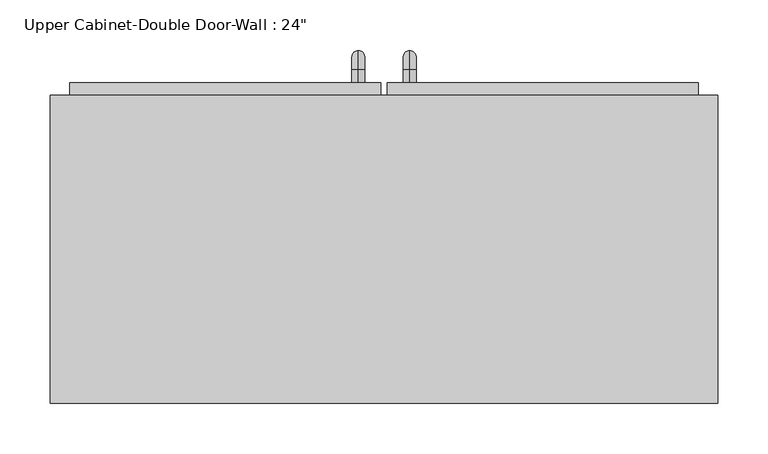
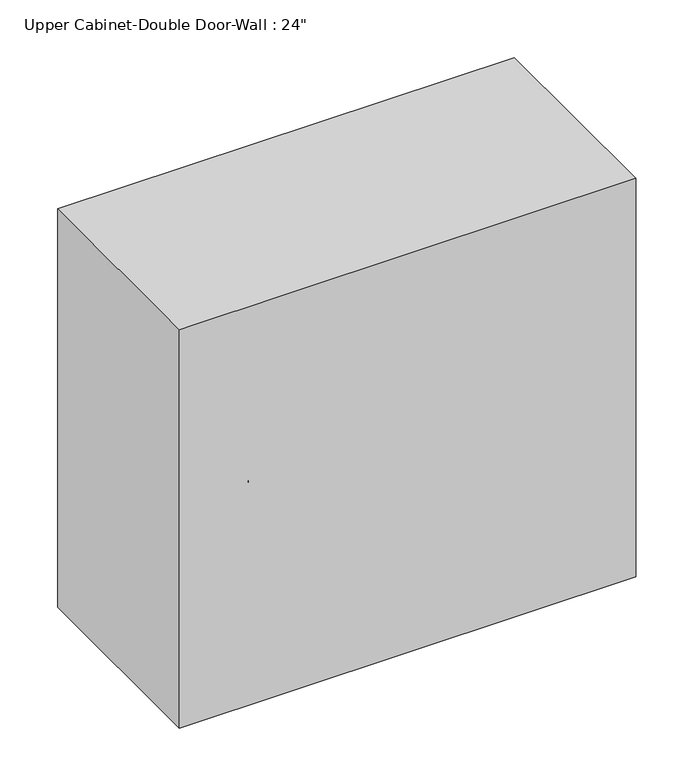
"""IFC4 building model written with IfcOpenShell, lengths in millimetres: furniture geometry."""

from ifc_helpers import new_model, si_unit, point, frame, origin, place, context, project, spatial, polyline, circle_curve, ellipse_curve, trimmed, outline, extrude, faceted_brep, source, transform, mapped, element, save
from ifc_brep_helpers import plane_surface, cylinder_surface, revolved_surface, advanced_brep


def furniture_5cabe226(model_context):
    return source(origin(), model_context, "Body", "SolidModel", [
        faceted_brep([(-300.4288372, 50.8, 2133.6), (-300.4288372, 50.8, 1524.0), (359.9711628, 50.8, 1524.0), (359.9711628, 50.8, 2133.6), (-300.4288372, 355.6, 2133.6), (359.9711628, 355.6, 2133.6), (359.9711628, 355.6, 1524.0), (-300.4288372, 355.6, 1524.0), (-281.3788372, 355.6, 2114.55), (-281.3788372, 355.6, 1543.05), (340.9211628, 355.6, 1543.05), (340.9211628, 355.6, 2114.55), (340.9211628, 69.85, 2114.55), (-281.3788372, 69.85, 2114.55), (340.9211628, 69.85, 1543.05), (-281.3788372, 69.85, 1543.05)], [[[0, 1, 2, 3]], [[4, 5, 6, 7], [8, 9, 10, 11]], [[1, 0, 4, 7]], [[2, 1, 7, 6]], [[3, 2, 6, 5]], [[0, 3, 5, 4]], [[8, 11, 12, 13]], [[11, 10, 14, 12]], [[10, 9, 15, 14]], [[9, 8, 13, 15]], [[13, 12, 14, 15]]]),
        advanced_brep(
        [(55.1711628, 368.3, 1670.05), (55.1711628, 368.3, 1682.75), (55.1711628, 381.0, 1670.05), (55.1711628, 381.0, 1682.75), (55.1711628, 400.05, 1663.7), (55.1711628, 387.35, 1663.7), (55.1711628, 387.35, 1587.5), (55.1711628, 400.05, 1587.5), (55.1711628, 381.0, 1568.45), (55.1711628, 381.0, 1581.15), (55.1711628, 368.3, 1581.15), (55.1711628, 368.3, 1568.45)],
        [
            (0, 1, circle_curve(frame((55.1711628, 368.3, 1676.4), z_axis=(0.0, -1.0, 0.0), x_axis=(0.0, 0.0, -1.0)), 6.35)),
            (1, 0, circle_curve(frame((55.1711628, 368.3, 1676.4), z_axis=(0.0, -1.0, 0.0), x_axis=(0.0, 0.0, -1.0)), 6.35)),
            (0, 2),
            (2, 3, circle_curve(frame((55.1711628, 381.0, 1676.4), z_axis=(0.0, -1.0, 0.0), x_axis=(0.0, 0.0, -1.0)), 6.35)),
            (3, 1),
            (3, 2, circle_curve(frame((55.1711628, 381.0, 1676.4), z_axis=(0.0, -1.0, 0.0), x_axis=(0.0, 0.0, -1.0)), 6.35)),
            (4, 3, circle_curve(frame((55.1711628, 381.0, 1663.7), z_axis=(1.0, 0.0, 0.0), x_axis=(0.0, 0.0, 1.0)), 19.05)),
            (2, 5, circle_curve(frame((55.1711628, 381.0, 1663.7), z_axis=(-1.0, 0.0, 0.0), x_axis=(0.0, 0.0, 1.0)), 6.35)),
            (5, 4, circle_curve(frame((55.1711628, 393.7, 1663.7), z_axis=(0.0, 0.0, 1.0), x_axis=(0.0, -1.0, 0.0)), 6.35)),
            (4, 5, circle_curve(frame((55.1711628, 393.7, 1663.7), z_axis=(0.0, 0.0, 1.0), x_axis=(0.0, -1.0, 0.0)), 6.35)),
            (5, 6),
            (6, 7, circle_curve(frame((55.1711628, 393.7, 1587.5), z_axis=(0.0, 0.0, 1.0), x_axis=(0.0, -1.0, 0.0)), 6.35)),
            (7, 4),
            (7, 6, circle_curve(frame((55.1711628, 393.7, 1587.5), z_axis=(0.0, 0.0, 1.0), x_axis=(0.0, -1.0, 0.0)), 6.35)),
            (8, 7, circle_curve(frame((55.1711628, 381.0, 1587.5), z_axis=(1.0, 0.0, 0.0), x_axis=(0.0, 1.0, 0.0)), 19.05)),
            (6, 9, circle_curve(frame((55.1711628, 381.0, 1587.5), z_axis=(-1.0, 0.0, 0.0), x_axis=(0.0, 1.0, 0.0)), 6.35)),
            (9, 8, circle_curve(frame((55.1711628, 381.0, 1574.8), z_axis=(0.0, 1.0, 0.0), x_axis=(0.0, 0.0, 1.0)), 6.35)),
            (8, 9, circle_curve(frame((55.1711628, 381.0, 1574.8), z_axis=(0.0, 1.0, 0.0), x_axis=(0.0, 0.0, 1.0)), 6.35)),
            (10, 11, circle_curve(frame((55.1711628, 368.3, 1574.8), z_axis=(0.0, -1.0, 0.0), x_axis=(0.0, 0.0, 1.0)), 6.35)),
            (11, 10, circle_curve(frame((55.1711628, 368.3, 1574.8), z_axis=(0.0, -1.0, 0.0), x_axis=(0.0, 0.0, 1.0)), 6.35)),
            (9, 10),
            (11, 8),
        ],
        [
            plane_surface(frame((48.8211628, 368.3, 1676.4), z_axis=(0.0, -1.0, 0.0), x_axis=(0.0, 0.0, 1.0))),
            cylinder_surface(frame((55.1711628, 368.3, 1676.4), z_axis=(0.0, -1.0, 0.0), x_axis=(0.0, 0.0, -1.0)), 6.35),
            revolved_surface(trimmed(ellipse_curve(frame((55.1711628, 381.0, 1676.4), z_axis=(0.0, -1.0, 0.0), x_axis=(0.0, 0.0, -1.0)), 6.35, 6.35), [point((55.1711628, 381.0, 1670.05))], [point((55.1711628, 381.0, 1682.75))], True, "CARTESIAN"), (55.1711628, 381.0, 1663.7), (-1.0, 0.0, 0.0)),
            revolved_surface(trimmed(ellipse_curve(frame((55.1711628, 381.0, 1676.4), z_axis=(0.0, -1.0, 0.0), x_axis=(0.0, 0.0, -1.0)), 6.35, 6.35), [point((55.1711628, 381.0, 1682.75))], [point((55.1711628, 381.0, 1670.05))], True, "CARTESIAN"), (55.1711628, 381.0, 1663.7), (-1.0, 0.0, 0.0)),
            cylinder_surface(frame((55.1711628, 393.7, 1663.7), z_axis=(0.0, 0.0, 1.0), x_axis=(0.0, -1.0, 0.0)), 6.35),
            revolved_surface(trimmed(ellipse_curve(frame((55.1711628, 393.7, 1587.5), z_axis=(0.0, 0.0, 1.0), x_axis=(0.0, -1.0, 0.0)), 6.35, 6.35), [point((55.1711628, 387.35, 1587.5))], [point((55.1711628, 400.05, 1587.5))], True, "CARTESIAN"), (55.1711628, 381.0, 1587.5), (-1.0, 0.0, 0.0)),
            revolved_surface(trimmed(ellipse_curve(frame((55.1711628, 393.7, 1587.5), z_axis=(0.0, 0.0, 1.0), x_axis=(0.0, -1.0, 0.0)), 6.35, 6.35), [point((55.1711628, 400.05, 1587.5))], [point((55.1711628, 387.35, 1587.5))], True, "CARTESIAN"), (55.1711628, 381.0, 1587.5), (-1.0, 0.0, 0.0)),
            plane_surface(frame((48.8211628, 368.3, 1574.8), z_axis=(0.0, -1.0, 0.0), x_axis=(0.0, 0.0, -1.0))),
            cylinder_surface(frame((55.1711628, 381.0, 1574.8), z_axis=(0.0, 1.0, 0.0), x_axis=(0.0, 0.0, 1.0)), 6.35),
        ],
        [
            (0, [[1, 2]]),
            (1, [[-1, 3, 4, 5]]),
            (1, [[-2, -5, 6, -3]]),
            (2, [[7, -4, 8, 9]]),
            (3, [[-8, -6, -7, 10]]),
            (4, [[-9, 11, 12, 13]]),
            (4, [[-10, -13, 14, -11]]),
            (5, [[15, -12, 16, 17]]),
            (6, [[-16, -14, -15, 18]]),
            (7, [[19, 20]]),
            (8, [[-17, 21, -20, 22]]),
            (8, [[-18, -22, -19, -21]]),
        ],
    ),
        advanced_brep(
        [(4.3711628, 368.3, 1670.05), (4.3711628, 368.3, 1682.75), (4.3711628, 381.0, 1670.05), (4.3711628, 381.0, 1682.75), (4.3711628, 400.05, 1663.7), (4.3711628, 387.35, 1663.7), (4.3711628, 387.35, 1587.5), (4.3711628, 400.05, 1587.5), (4.3711628, 381.0, 1568.45), (4.3711628, 381.0, 1581.15), (4.3711628, 368.3, 1581.15), (4.3711628, 368.3, 1568.45)],
        [
            (0, 1, circle_curve(frame((4.3711628, 368.3, 1676.4), z_axis=(0.0, -1.0, 0.0), x_axis=(0.0, 0.0, 1.0)), 6.35)),
            (1, 0, circle_curve(frame((4.3711628, 368.3, 1676.4), z_axis=(0.0, -1.0, 0.0), x_axis=(0.0, 0.0, 1.0)), 6.35)),
            (0, 2),
            (2, 3, circle_curve(frame((4.3711628, 381.0, 1676.4), z_axis=(0.0, -1.0, 0.0), x_axis=(0.0, 0.0, 1.0)), 6.35)),
            (3, 1),
            (3, 2, circle_curve(frame((4.3711628, 381.0, 1676.4), z_axis=(0.0, -1.0, 0.0), x_axis=(0.0, 0.0, 1.0)), 6.35)),
            (4, 3, circle_curve(frame((4.3711628, 381.0, 1663.7), z_axis=(1.0, 0.0, 0.0), x_axis=(0.0, 0.0, 1.0)), 19.05)),
            (2, 5, circle_curve(frame((4.3711628, 381.0, 1663.7), z_axis=(-1.0, 0.0, 0.0), x_axis=(0.0, 0.0, 1.0)), 6.35)),
            (5, 4, circle_curve(frame((4.3711628, 393.7, 1663.7), z_axis=(0.0, 0.0, 1.0), x_axis=(0.0, 1.0, 0.0)), 6.35)),
            (4, 5, circle_curve(frame((4.3711628, 393.7, 1663.7), z_axis=(0.0, 0.0, 1.0), x_axis=(0.0, 1.0, 0.0)), 6.35)),
            (5, 6),
            (6, 7, circle_curve(frame((4.3711628, 393.7, 1587.5), z_axis=(0.0, 0.0, 1.0), x_axis=(0.0, 1.0, 0.0)), 6.35)),
            (7, 4),
            (7, 6, circle_curve(frame((4.3711628, 393.7, 1587.5), z_axis=(0.0, 0.0, 1.0), x_axis=(0.0, 1.0, 0.0)), 6.35)),
            (8, 7, circle_curve(frame((4.3711628, 381.0, 1587.5), z_axis=(1.0, 0.0, 0.0), x_axis=(0.0, 1.0, 0.0)), 19.05)),
            (6, 9, circle_curve(frame((4.3711628, 381.0, 1587.5), z_axis=(-1.0, 0.0, 0.0), x_axis=(0.0, 1.0, 0.0)), 6.35)),
            (9, 8, circle_curve(frame((4.3711628, 381.0, 1574.8), z_axis=(0.0, 1.0, 0.0), x_axis=(0.0, 0.0, -1.0)), 6.35)),
            (8, 9, circle_curve(frame((4.3711628, 381.0, 1574.8), z_axis=(0.0, 1.0, 0.0), x_axis=(0.0, 0.0, -1.0)), 6.35)),
            (10, 11, circle_curve(frame((4.3711628, 368.3, 1574.8), z_axis=(0.0, -1.0, 0.0), x_axis=(0.0, 0.0, -1.0)), 6.35)),
            (11, 10, circle_curve(frame((4.3711628, 368.3, 1574.8), z_axis=(0.0, -1.0, 0.0), x_axis=(0.0, 0.0, -1.0)), 6.35)),
            (9, 10),
            (11, 8),
        ],
        [
            plane_surface(frame((-1.9788372, 368.3, 1676.4), z_axis=(0.0, -1.0, 0.0), x_axis=(0.0, 0.0, 1.0))),
            cylinder_surface(frame((4.3711628, 368.3, 1676.4), z_axis=(0.0, -1.0, 0.0), x_axis=(0.0, 0.0, 1.0)), 6.35),
            revolved_surface(trimmed(ellipse_curve(frame((4.3711628, 381.0, 1676.4), z_axis=(0.0, -1.0, 0.0), x_axis=(0.0, 0.0, 1.0)), 6.35, 6.35), [point((4.3711628, 381.0, 1670.05))], [point((4.3711628, 381.0, 1682.75))], True, "CARTESIAN"), (4.3711628, 381.0, 1663.7), (-1.0, 0.0, 0.0)),
            revolved_surface(trimmed(ellipse_curve(frame((4.3711628, 381.0, 1676.4), z_axis=(0.0, -1.0, 0.0), x_axis=(0.0, 0.0, 1.0)), 6.35, 6.35), [point((4.3711628, 381.0, 1682.75))], [point((4.3711628, 381.0, 1670.05))], True, "CARTESIAN"), (4.3711628, 381.0, 1663.7), (-1.0, 0.0, 0.0)),
            cylinder_surface(frame((4.3711628, 393.7, 1663.7), z_axis=(0.0, 0.0, 1.0), x_axis=(0.0, 1.0, 0.0)), 6.35),
            revolved_surface(trimmed(ellipse_curve(frame((4.3711628, 393.7, 1587.5), z_axis=(0.0, 0.0, 1.0), x_axis=(0.0, 1.0, 0.0)), 6.35, 6.35), [point((4.3711628, 387.35, 1587.5))], [point((4.3711628, 400.05, 1587.5))], True, "CARTESIAN"), (4.3711628, 381.0, 1587.5), (-1.0, 0.0, 0.0)),
            revolved_surface(trimmed(ellipse_curve(frame((4.3711628, 393.7, 1587.5), z_axis=(0.0, 0.0, 1.0), x_axis=(0.0, 1.0, 0.0)), 6.35, 6.35), [point((4.3711628, 400.05, 1587.5))], [point((4.3711628, 387.35, 1587.5))], True, "CARTESIAN"), (4.3711628, 381.0, 1587.5), (-1.0, 0.0, 0.0)),
            plane_surface(frame((-1.9788372, 368.3, 1574.8), z_axis=(0.0, -1.0, 0.0), x_axis=(0.0, 0.0, -1.0))),
            cylinder_surface(frame((4.3711628, 381.0, 1574.8), z_axis=(0.0, 1.0, 0.0), x_axis=(0.0, 0.0, -1.0)), 6.35),
        ],
        [
            (0, [[1, 2]]),
            (1, [[-1, 3, 4, 5]]),
            (1, [[-2, -5, 6, -3]]),
            (2, [[7, -4, 8, 9]]),
            (3, [[-8, -6, -7, 10]]),
            (4, [[-9, 11, 12, 13]]),
            (4, [[-10, -13, 14, -11]]),
            (5, [[15, -12, 16, 17]]),
            (6, [[-16, -14, -15, 18]]),
            (7, [[19, 20]]),
            (8, [[-17, 21, -20, 22]]),
            (8, [[-18, -22, -19, -21]]),
        ],
    ),
        extrude(outline(polyline([(32.9461628, 368.3), (340.9211628, 368.3), (340.9211628, 336.55), (32.9461628, 336.55), (32.9461628, 368.3)])), frame((0.0, 0.0, 1543.05), z_axis=(0.0, 0.0, 1.0), x_axis=(1.0, 0.0, 0.0)), (0.0, 0.0, 1.0), 571.5),
        extrude(outline(polyline([(-281.3788372, 368.3), (26.5961628, 368.3), (26.5961628, 336.55), (-281.3788372, 336.55), (-281.3788372, 368.3)])), frame((0.0, 0.0, 1543.05), z_axis=(0.0, 0.0, 1.0), x_axis=(1.0, 0.0, 0.0)), (0.0, 0.0, 1.0), 571.5),
    ])


if __name__ == "__main__":
    model = new_model("IFC4")
    model_context = context("Model", 3, world=origin())
    ifc_project = project(units=[si_unit("LENGTHUNIT", "METRE", prefix="MILLI")], contexts=[model_context])
    site = spatial("IfcSite", under=ifc_project)
    building = spatial("IfcBuilding", under=site)
    placement = place(None, origin())
    furniture_shape = furniture_5cabe226(model_context)
    element("IfcFurniture", 1, ObjectType="Upper Cabinet-Double Door-Wall : 24\"", at=placement, inside=building, context=model_context, shape_type="MappedRepresentation", body=[
        mapped(furniture_shape, transform((0.0, 0.0, 0.0), x_axis=(1.0, 0.0, 0.0), y_axis=(0.0, 1.0, 0.0), z_axis=(0.0, 0.0, 1.0))),
    ])
    save(model, "model.ifc")
